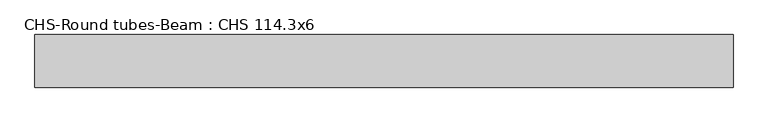
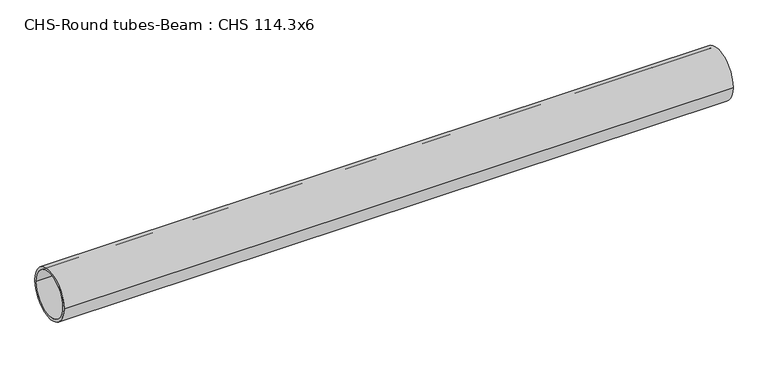
"""IFC4 building model written with IfcOpenShell, lengths in millimetres: beam geometry, CHS-Round tubes-Beam : CHS 114.3x6."""

from ifc_helpers import new_model, si_unit, point, frame, origin, origin_2d, place, context, project, spatial, circle_curve, trimmed, segment, composite_curve, outline, extrude, source, transform, mapped, element, save


def chs_round_tubes_beam_chs_114_3x6_1dfe63d1(model_context):
    return source(origin(), model_context, "Body", "SweptSolid", [
        extrude(outline(composite_curve([segment(trimmed(circle_curve(origin_2d(), 57.15), [point((57.15, 0.0))], [point((-57.15, 0.0))], False, "CARTESIAN"), True, "CONTINUOUS"), segment(trimmed(circle_curve(origin_2d(), 57.15), [point((-57.15, 0.0))], [point((57.15, 0.0))], False, "CARTESIAN"), True, "CONTINUOUS")], self_intersect=False), holes=[composite_curve([segment(trimmed(circle_curve(origin_2d(), 51.15), [point((51.15, 0.0))], [point((-51.15, 0.0))], True, "CARTESIAN"), True, "CONTINUOUS"), segment(trimmed(circle_curve(origin_2d(), 51.15), [point((-51.15, 0.0))], [point((51.15, 0.0))], True, "CARTESIAN"), True, "CONTINUOUS")], self_intersect=False)]), frame((-735.3497379, 0.0, 0.0), z_axis=(1.0, 0.0, 0.0), x_axis=(0.0, 1.0, 0.0)), (0.0, 0.0, 1.0), 1516.5378882),
    ])


if __name__ == "__main__":
    model = new_model("IFC4")
    model_context = context("Model", 3, world=origin())
    ifc_project = project(units=[si_unit("LENGTHUNIT", "METRE", prefix="MILLI")], contexts=[model_context])
    site = spatial("IfcSite", under=ifc_project)
    building = spatial("IfcBuilding", under=site)
    placement = place(None, origin())
    chs_round_tubes_beam_chs_114_3x6_shape = chs_round_tubes_beam_chs_114_3x6_1dfe63d1(model_context)
    element("IfcBeam", 1, ObjectType="CHS-Round tubes-Beam : CHS 114.3x6", at=placement, inside=building, context=model_context, shape_type="MappedRepresentation", body=[
        mapped(chs_round_tubes_beam_chs_114_3x6_shape, transform((0.0, 0.0, 0.0), x_axis=(1.0, 0.0, 0.0), y_axis=(0.0, 1.0, 0.0), z_axis=(0.0, 0.0, 1.0))),
    ])
    save(model, "model.ifc")
